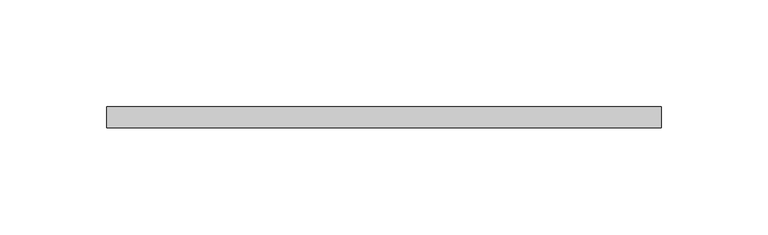
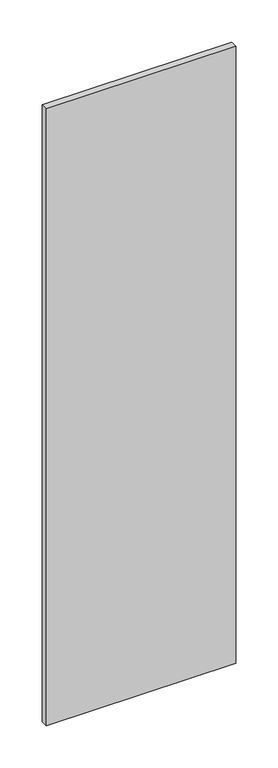
"""IFC4 building model written with IfcOpenShell, lengths in millimetres: plate geometry."""

from ifc_helpers import new_model, si_unit, origin, origin_with_axes, place, context, project, spatial, polyline, outline, extrude, source, transform, mapped, element, save


def plate_ba683b9a(model_context):
    return source(origin(), model_context, "Body", "SweptSolid", [
        extrude(outline(polyline([(130.0, -5.0), (-130.0, -5.0), (-130.0, 5.0), (130.0, 5.0), (130.0, -5.0)])), origin_with_axes(), (0.0, 0.0, 1.0), 895.0),
    ])


if __name__ == "__main__":
    model = new_model("IFC4")
    model_context = context("Model", 3, world=origin())
    ifc_project = project(units=[si_unit("LENGTHUNIT", "METRE", prefix="MILLI")], contexts=[model_context])
    site = spatial("IfcSite", under=ifc_project)
    building = spatial("IfcBuilding", under=site)
    placement = place(None, origin())
    plate_shape = plate_ba683b9a(model_context)
    element("IfcPlate", 1, at=placement, inside=building, context=model_context, shape_type="MappedRepresentation", body=[
        mapped(plate_shape, transform((0.0, 0.0, 0.0), x_axis=(1.0, 0.0, 0.0), y_axis=(0.0, 1.0, 0.0), z_axis=(0.0, 0.0, 1.0))),
    ])
    save(model, "model.ifc")
